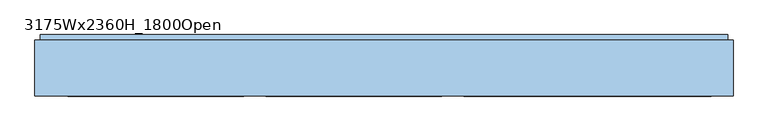
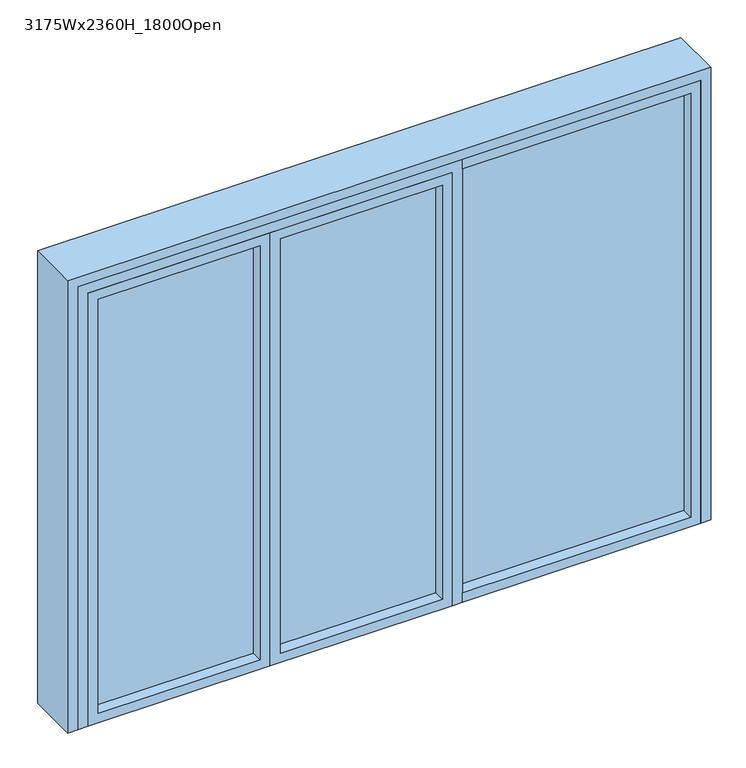
"""IFC4 building model written with IfcOpenShell, lengths in millimetres: window geometry, 3175Wx2360H_1800Open."""

from ifc_helpers import new_model, si_unit, frame, origin, origin_with_axes, place, context, project, spatial, polyline, outline, extrude, faceted_brep, source, transform, mapped, element, save


def window_3175wx2360h_1800open_e33053c1(model_context):
    return source(origin(), model_context, "Body", "SolidModel", [
        faceted_brep([(-1537.5, 272.0, 0.0), (-1537.5, -8.0, 0.0), (-1587.5, -8.0, 0.0), (-1587.5, 247.0, 0.0), (-1562.5, 247.0, 0.0), (-1562.5, 272.0, 0.0), (1562.5, 272.0, 0.0), (1562.5, 247.0, 0.0), (1587.5, 247.0, 0.0), (1587.5, -8.0, 0.0), (1537.5, -8.0, 0.0), (1537.5, 272.0, 0.0), (-1537.5, 272.0, 2310.0), (-1537.5, -8.0, 2310.0), (-1587.5, -8.0, 2360.0), (1537.5, -8.0, 2310.0), (1587.5, -8.0, 2360.0), (-1587.5, 247.0, 2360.0), (1587.5, 247.0, 2360.0), (1562.5, 247.0, 2335.0), (-1562.5, 247.0, 2335.0), (-1562.5, 272.0, 2335.0), (1562.5, 272.0, 2335.0), (1537.5, 272.0, 2310.0)], [[[0, 1, 2, 3, 4, 5]], [[6, 7, 8, 9, 10, 11]], [[1, 0, 12, 13]], [[14, 2, 1, 13, 15, 10, 9, 16]], [[17, 3, 2, 14]], [[4, 3, 17, 18, 8, 7, 19, 20]], [[5, 4, 20, 21]], [[0, 5, 21, 22, 6, 11, 23, 12]], [[19, 7, 6, 22]], [[16, 9, 8, 18]], [[11, 10, 15, 23]], [[19, 22, 21, 20]], [[12, 23, 15, 13]], [[18, 17, 14, 16]]]),
        extrude(outline(polyline([(0.0, 1537.5), (2310.0, 1537.5), (2310.0, 362.5), (2260.0, 362.5), (2260.0, 1487.5), (50.0, 1487.5), (50.0, 362.5), (0.0, 362.5), (0.0, 1537.5)])), frame((0.0, -8.0, 0.0), z_axis=(0.0, 1.0, 0.0), x_axis=(0.0, 0.0, 1.0)), (0.0, 0.0, 1.0), 100.0),
        extrude(outline(polyline([(2310.0, 362.5), (2310.0, -1537.5), (0.0, -1537.5), (0.0, -1487.5), (2260.0, -1487.5), (2260.0, 312.5), (0.0, 312.5), (0.0, 362.5), (2310.0, 362.5)])), frame((0.0, -8.0, 0.0), z_axis=(0.0, 1.0, 0.0), x_axis=(0.0, 0.0, 1.0)), (0.0, 0.0, 1.0), 100.0),
        extrude(outline(polyline([(1487.5, 67.0), (1487.5, 49.0), (362.5, 49.0), (362.5, 67.0), (1487.5, 67.0)])), frame((0.0, 0.0, 50.0), z_axis=(0.0, 0.0, 1.0), x_axis=(1.0, 0.0, 0.0)), (0.0, 0.0, 1.0), 2210.0),
        extrude(outline(polyline([(262.5, 67.0), (262.5, 49.0), (-537.5, 49.0), (-537.5, 67.0), (262.5, 67.0)])), frame((0.0, 0.0, 50.0), z_axis=(0.0, 0.0, 1.0), x_axis=(1.0, 0.0, 0.0)), (0.0, 0.0, 1.0), 2160.0),
        extrude(outline(polyline([(-637.5, 67.0), (-637.5, 49.0), (-1437.5, 49.0), (-1437.5, 67.0), (-637.5, 67.0)])), frame((0.0, 0.0, 50.0), z_axis=(0.0, 0.0, 1.0), x_axis=(1.0, 0.0, 0.0)), (0.0, 0.0, 1.0), 2160.0),
        extrude(outline(polyline([(2260.0, -587.5), (0.0, -587.5), (0.0, 312.5), (2260.0, 312.5), (2260.0, -587.5)]), holes=[polyline([(2210.0, -537.5), (2210.0, 262.5), (50.0, 262.5), (50.0, -537.5), (2210.0, -537.5)])]), frame((0.0, -8.0, 0.0), z_axis=(0.0, 1.0, 0.0), x_axis=(0.0, 0.0, 1.0)), (0.0, 0.0, 1.0), 100.0),
        extrude(outline(polyline([(2260.0, -587.5), (2260.0, -1487.5), (0.0, -1487.5), (0.0, -587.5), (2260.0, -587.5)]), holes=[polyline([(2210.0, -637.5), (50.0, -637.5), (50.0, -1437.5), (2210.0, -1437.5), (2210.0, -637.5)])]), frame((0.0, -8.0, 0.0), z_axis=(0.0, 1.0, 0.0), x_axis=(0.0, 0.0, 1.0)), (0.0, 0.0, 1.0), 100.0),
        extrude(outline(polyline([(1537.5, 92.0), (-1537.5, 92.0), (-1537.5, 272.0), (1537.5, 272.0), (1537.5, 92.0)])), origin_with_axes(), (0.0, 0.0, 1.0), 10.0),
    ])


if __name__ == "__main__":
    model = new_model("IFC4")
    model_context = context("Model", 3, world=origin())
    ifc_project = project(units=[si_unit("LENGTHUNIT", "METRE", prefix="MILLI")], contexts=[model_context])
    site = spatial("IfcSite", under=ifc_project)
    building = spatial("IfcBuilding", under=site)
    placement = place(None, origin())
    window_3175wx2360h_1800open_shape = window_3175wx2360h_1800open_e33053c1(model_context)
    element("IfcWindow", 1, ObjectType="3175Wx2360H_1800Open", at=placement, inside=building, context=model_context, shape_type="MappedRepresentation", body=[
        mapped(window_3175wx2360h_1800open_shape, transform((0.0, 0.0, 0.0), x_axis=(1.0, 0.0, 0.0), y_axis=(0.0, 1.0, 0.0), z_axis=(0.0, 0.0, 1.0))),
    ])
    save(model, "model.ifc")
